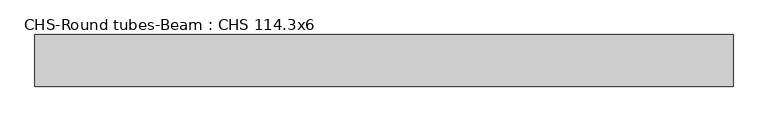
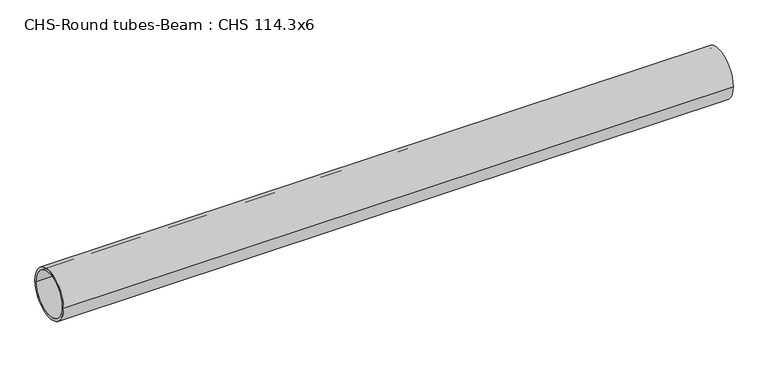
"""IFC4 building model written with IfcOpenShell, lengths in millimetres: beam geometry, CHS-Round tubes-Beam : CHS 114.3x6."""

from ifc_helpers import new_model, si_unit, point, frame, origin, origin_2d, place, context, project, spatial, circle_curve, trimmed, segment, composite_curve, outline, extrude, source, transform, mapped, element, save


def chs_round_tubes_beam_chs_114_3x6_0ad75102(model_context):
    return source(origin(), model_context, "Body", "SweptSolid", [
        extrude(outline(composite_curve([segment(trimmed(circle_curve(origin_2d(), 57.15), [point((57.15, 0.0))], [point((-57.15, 0.0))], False, "CARTESIAN"), True, "CONTINUOUS"), segment(trimmed(circle_curve(origin_2d(), 57.15), [point((-57.15, 0.0))], [point((57.15, 0.0))], False, "CARTESIAN"), True, "CONTINUOUS")], self_intersect=False), holes=[composite_curve([segment(trimmed(circle_curve(origin_2d(), 51.15), [point((51.15, 0.0))], [point((-51.15, 0.0))], True, "CARTESIAN"), True, "CONTINUOUS"), segment(trimmed(circle_curve(origin_2d(), 51.15), [point((-51.15, 0.0))], [point((51.15, 0.0))], True, "CARTESIAN"), True, "CONTINUOUS")], self_intersect=False)]), frame((-785.7850805, 0.0, 0.0), z_axis=(1.0, 0.0, 0.0), x_axis=(0.0, 1.0, 0.0)), (0.0, 0.0, 1.0), 1546.379831),
    ])


if __name__ == "__main__":
    model = new_model("IFC4")
    model_context = context("Model", 3, world=origin())
    ifc_project = project(units=[si_unit("LENGTHUNIT", "METRE", prefix="MILLI")], contexts=[model_context])
    site = spatial("IfcSite", under=ifc_project)
    building = spatial("IfcBuilding", under=site)
    placement = place(None, origin())
    chs_round_tubes_beam_chs_114_3x6_shape = chs_round_tubes_beam_chs_114_3x6_0ad75102(model_context)
    element("IfcBeam", 1, ObjectType="CHS-Round tubes-Beam : CHS 114.3x6", at=placement, inside=building, context=model_context, shape_type="MappedRepresentation", body=[
        mapped(chs_round_tubes_beam_chs_114_3x6_shape, transform((0.0, 0.0, 0.0), x_axis=(1.0, 0.0, 0.0), y_axis=(0.0, 1.0, 0.0), z_axis=(0.0, 0.0, 1.0))),
    ])
    save(model, "model.ifc")
